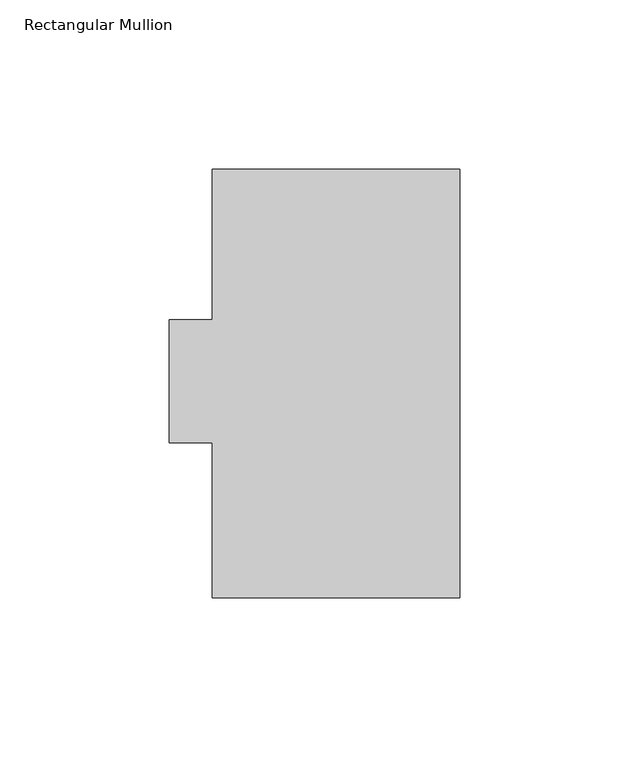
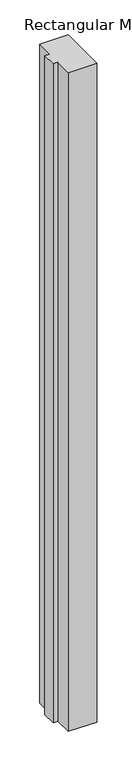
"""IFC4 building model written with IfcOpenShell, lengths in millimetres: member geometry, Rectangular Mullion."""

import ifcopenshell
import ifcopenshell.guid

model = None  # the IFC model being written
_history = None  # IfcOwnerHistory: only IFC2X3 demands one
_inside = {}  # id of a spatial element -> (the spatial element, [elements in it])
_under = {}  # id of a project, library or spatial element -> (it, [spatial elements below it])
_declared = {}  # id of a project -> (the project, [libraries it declares])
_typed = {}  # id of a type object -> (the type object, [elements of that type])
_made_of = {}  # id of a material, layer set ... -> (it, [elements and type objects made of it])


def new_model(schema):
    """Start an empty IFC model of exactly this schema.

    Asked for "IFC4X3", IfcOpenShell would pick the latest addendum, in which some entities
    have other attributes; the version numbers below select the first issue.
    IFC2X3 requires an IfcOwnerHistory on every rooted entity: one is made here for all.
    """
    global model, _history
    if schema == "IFC4X3":
        model = ifcopenshell.file(schema_version=(4, 3, 0, 0))
    else:
        model = ifcopenshell.file(schema=schema)
    _inside.clear()
    _under.clear()
    _declared.clear()
    _typed.clear()
    _made_of.clear()
    _history = None
    if model.schema == "IFC2X3":
        org = make("IfcOrganization", Name="unknown")
        user = make(
            "IfcPersonAndOrganization",
            ThePerson=make("IfcPerson", FamilyName="unknown"),
            TheOrganization=org,
        )
        app = make(
            "IfcApplication",
            ApplicationDeveloper=org,
            Version="unknown",
            ApplicationFullName="unknown",
            ApplicationIdentifier="unknown",
        )
        _history = make(
            "IfcOwnerHistory",
            OwningUser=user,
            OwningApplication=app,
            ChangeAction="ADDED",
            CreationDate=0,
        )
    return model


def make(cls, **values):
    """One entity of the class cls with the attributes given. An attribute that is None is left unset."""
    return model.create_entity(
        cls, **{name: value for name, value in values.items() if value is not None}
    )


def rooted(cls, **values):
    """An entity with a GlobalId (a new one), such as an element, a storey or a relation."""
    return make(cls, GlobalId=ifcopenshell.guid.new(), OwnerHistory=_history, **values)


def si_unit(unit_type, name, prefix=None):
    """IfcSIUnit, for example si_unit("LENGTHUNIT", "METRE", prefix="MILLI")."""
    return make("IfcSIUnit", UnitType=unit_type, Prefix=prefix, Name=name)


def assignment(units):
    """IfcUnitAssignment: the units of a project."""
    return None if units is None else make("IfcUnitAssignment", Units=units)


def point(xyz):
    """IfcCartesianPoint."""
    return None if xyz is None else make("IfcCartesianPoint", Coordinates=xyz)


def direction(xyz):
    """IfcDirection."""
    return None if xyz is None else make("IfcDirection", DirectionRatios=xyz)


def frame(location, z_axis=None, x_axis=None):
    """IfcAxis2Placement3D, a coordinate frame: its origin and axes. An axis left out is left unset."""
    return make(
        "IfcAxis2Placement3D",
        Location=point(location),
        Axis=direction(z_axis),
        RefDirection=direction(x_axis),
    )


def origin():
    """The frame at (0, 0, 0) with its axes left unset."""
    return frame((0.0, 0.0, 0.0))


def place(relative_to, where):
    """IfcLocalPlacement: puts the frame where relative to a parent placement (None: the world)."""
    return make(
        "IfcLocalPlacement", PlacementRelTo=relative_to, RelativePlacement=where
    )


def context(
    kind, dimensions, precision=None, world=None, true_north=None, identifier=None
):
    """IfcGeometricRepresentationContext, for example the 3D "Model" context."""
    return make(
        "IfcGeometricRepresentationContext",
        ContextIdentifier=identifier,
        ContextType=kind,
        CoordinateSpaceDimension=dimensions,
        Precision=precision,
        WorldCoordinateSystem=world,
        TrueNorth=true_north,
    )


def project(units=None, contexts=None):
    """IfcProject with its units and contexts."""
    return rooted(
        "IfcProject",
        Name="project",
        RepresentationContexts=contexts,
        UnitsInContext=assignment(units),
    )


def spatial(cls, under=None, at=None, **own):
    """A site, building, storey or space (cls), placed at a placement, below another one or the project."""
    s = rooted(cls, ObjectPlacement=at, **own)
    if under is not None:
        _under.setdefault(under.id(), (under, []))[1].append(s)
    return s


def polyline(points):
    """IfcPolyline through the points."""
    return make("IfcPolyline", Points=[point(p) for p in points])


def outline(outer, holes=None, kind="AREA"):
    """IfcArbitraryClosedProfileDef: a profile drawn as a closed curve; with holes, ...WithVoids."""
    if holes is None:
        return make("IfcArbitraryClosedProfileDef", ProfileType=kind, OuterCurve=outer)
    return make(
        "IfcArbitraryProfileDefWithVoids",
        ProfileType=kind,
        OuterCurve=outer,
        InnerCurves=holes,
    )


def extrude(swept, where, along, depth):
    """IfcExtrudedAreaSolid: the profile swept, set in the frame where, extruded along a direction by depth."""
    return make(
        "IfcExtrudedAreaSolid",
        SweptArea=swept,
        Position=where,
        ExtrudedDirection=direction(along),
        Depth=depth,
    )


def shape(context_of_items, identifier, shape_type, items):
    """IfcShapeRepresentation: the items that make up one representation, for example the "Body"."""
    return make(
        "IfcShapeRepresentation",
        ContextOfItems=context_of_items,
        RepresentationIdentifier=identifier,
        RepresentationType=shape_type,
        Items=items,
    )


def source(mapping_origin, context_of_items, identifier, shape_type, items):
    """IfcRepresentationMap: a shape defined once, which mapped items show again and again."""
    return make(
        "IfcRepresentationMap",
        MappingOrigin=mapping_origin,
        MappedRepresentation=shape(context_of_items, identifier, shape_type, items),
    )


def transform(
    local_origin,
    x_axis=None,
    y_axis=None,
    z_axis=None,
    scale=None,
    scale2=None,
    scale3=None,
    uniform=True,
):
    """IfcCartesianTransformationOperator3D, or its non-uniform kind. x_axis, y_axis, z_axis: its Axis1, 2, 3."""
    if uniform:
        return make(
            "IfcCartesianTransformationOperator3D",
            Axis1=direction(x_axis),
            Axis2=direction(y_axis),
            LocalOrigin=point(local_origin),
            Scale=scale,
            Axis3=direction(z_axis),
        )
    return make(
        "IfcCartesianTransformationOperator3DnonUniform",
        Axis1=direction(x_axis),
        Axis2=direction(y_axis),
        LocalOrigin=point(local_origin),
        Scale=scale,
        Axis3=direction(z_axis),
        Scale2=scale2,
        Scale3=scale3,
    )


def mapped(mapping_source, mapping_target):
    """IfcMappedItem: shows the shape of a source again, moved by a transform."""
    return make(
        "IfcMappedItem", MappingSource=mapping_source, MappingTarget=mapping_target
    )


def made_of(thing, what):
    """Note that an element or type object is made of a material, layer set ...; save() writes the relation."""
    if what is not None:
        _made_of.setdefault(what.id(), (what, []))[1].append(thing)
    return thing


def element(
    cls,
    number,
    at=None,
    inside=None,
    cuts=None,
    type_object=None,
    material=None,
    context=None,
    identifier="Body",
    shape_type=None,
    held_by="IfcProductDefinitionShape",
    body=None,
    shapes=None,
    **own,
):
    """One element of the class cls, such as IfcWall. Its Tag is "e" and its number.

    at: its placement. inside: the storey or other place that contains it. cuts: it is an
    opening in that element (IfcRelVoidsElement). A single representation is given by context,
    identifier, shape_type and body (its items); several are given by shapes. held_by: the class
    of the entity that holds the representations. save() writes the other relations.
    """
    e = rooted(cls, Tag="e%d" % number, ObjectPlacement=at, **own)
    if body is not None:
        shapes = [shape(context, identifier, shape_type, body)]
    if shapes is not None:
        e.Representation = make(held_by, Representations=shapes)
    if inside is not None:
        _inside.setdefault(inside.id(), (inside, []))[1].append(e)
    if cuts is not None:
        rooted(
            "IfcRelVoidsElement", RelatingBuildingElement=cuts, RelatedOpeningElement=e
        )
    if type_object is not None:
        _typed.setdefault(type_object.id(), (type_object, []))[1].append(e)
    return made_of(e, material)


def aggregate(whole, parts):
    """IfcRelAggregates: a whole, such as a stair, and the parts it consists of."""
    return rooted("IfcRelAggregates", RelatingObject=whole, RelatedObjects=parts)


def save(model, path):
    """Write the relations noted so far, then the file.

    IfcRelAggregates (storeys below a building ...), IfcRelContainedInSpatialStructure (elements
    in a storey), IfcRelDefinesByType, IfcRelAssociatesMaterial and IfcRelDeclares: one each for
    every whole, place, type object, material and project.
    """
    for whole, parts in _under.values():
        aggregate(whole, parts)
    for where, things in _inside.values():
        rooted(
            "IfcRelContainedInSpatialStructure",
            RelatedElements=things,
            RelatingStructure=where,
        )
    for kind, things in _typed.values():
        rooted("IfcRelDefinesByType", RelatedObjects=things, RelatingType=kind)
    for what, things in _made_of.values():
        rooted("IfcRelAssociatesMaterial", RelatedObjects=things, RelatingMaterial=what)
    for by, libraries in _declared.values():
        rooted("IfcRelDeclares", RelatingContext=by, RelatedDefinitions=libraries)
    model.write(path)


def rectangular_mullion_b2ffda98(model_context):
    return source(origin(), model_context, "Body", "SweptSolid", [
        extrude(outline(polyline([(0.0, 126.7348875), (0.0, 0.2428875), (-73.025, 0.2428875), (-73.025, 46.0263875), (-85.725, 46.0263875), (-85.725, 82.2848875), (-73.025, 82.2848875), (-73.025, 126.7348875), (0.0, 126.7348875)])), frame((0.0, 0.0, -1790.7), z_axis=(0.0, 0.0, 1.0), x_axis=(1.0, 0.0, 0.0)), (0.0, 0.0, 1.0), 1790.7),
    ])


if __name__ == "__main__":
    model = new_model("IFC4")
    model_context = context("Model", 3, world=origin())
    ifc_project = project(units=[si_unit("LENGTHUNIT", "METRE", prefix="MILLI")], contexts=[model_context])
    site = spatial("IfcSite", under=ifc_project)
    building = spatial("IfcBuilding", under=site)
    placement = place(None, origin())
    rectangular_mullion_shape = rectangular_mullion_b2ffda98(model_context)
    element("IfcMember", 1, ObjectType="Rectangular Mullion", at=placement, inside=building, context=model_context, shape_type="MappedRepresentation", body=[
        mapped(rectangular_mullion_shape, transform((0.0, 0.0, 0.0), x_axis=(1.0, 0.0, 0.0), y_axis=(0.0, 1.0, 0.0), z_axis=(0.0, 0.0, 1.0))),
    ])
    save(model, "model.ifc")
